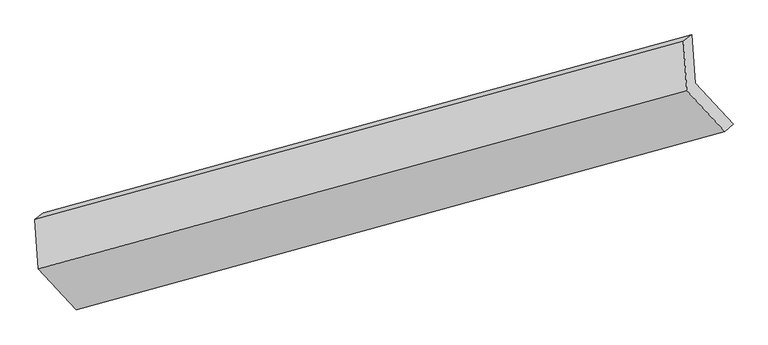
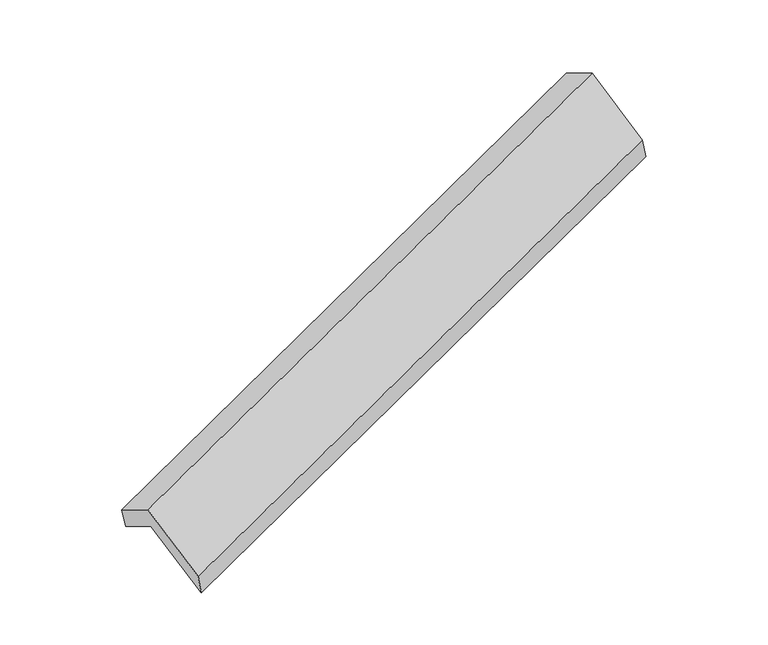
"""IFC4 building model written with IfcOpenShell, lengths in millimetres: proxy geometry."""

from ifc_helpers import new_model, si_unit, frame, origin, place, context, project, spatial, polyline, outline, extrude, source, transform, mapped, element, save


def generic_models_1900d932(model_context):
    return source(origin(), model_context, "Body", "SweptSolid", [
        extrude(outline(polyline([(-138.2864326, -60.3555846), (522.865706, -60.3555846), (358.6704787, -206.3325467), (-302.48166, -206.3325467), (-302.48166, 198.6996502), (-138.2864326, 334.6766123), (-138.2864326, -60.3555846)])), frame((-5154.0345158, -2136.9443641, 1108.531884), z_axis=(0.9116415201436451, 0.2509578138900402, 0.3254687610166541), x_axis=(0.40690253048083136, -0.4397774011084398, -0.8006410982222949)), (0.0, 0.0, 1.0), 5030.5195664),
    ])


if __name__ == "__main__":
    model = new_model("IFC4")
    model_context = context("Model", 3, world=origin())
    ifc_project = project(units=[si_unit("LENGTHUNIT", "METRE", prefix="MILLI")], contexts=[model_context])
    site = spatial("IfcSite", under=ifc_project)
    building = spatial("IfcBuilding", under=site)
    placement = place(None, origin())
    generic_models_shape = generic_models_1900d932(model_context)
    element("IfcBuildingElementProxy", 1, Name="Generic Models", at=placement, inside=building, context=model_context, shape_type="MappedRepresentation", body=[
        mapped(generic_models_shape, transform((0.0, 0.0, 0.0), x_axis=(1.0, 0.0, 0.0), y_axis=(0.0, 1.0, 0.0), z_axis=(0.0, 0.0, 1.0))),
    ])
    save(model, "model.ifc")
